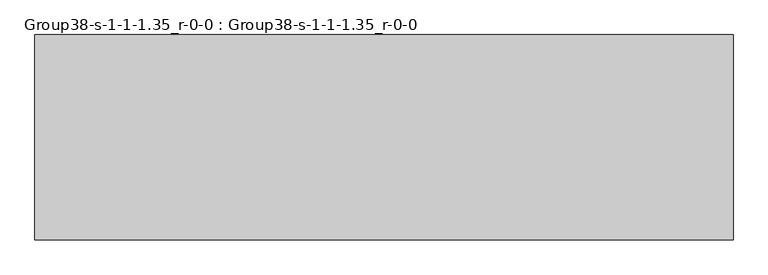
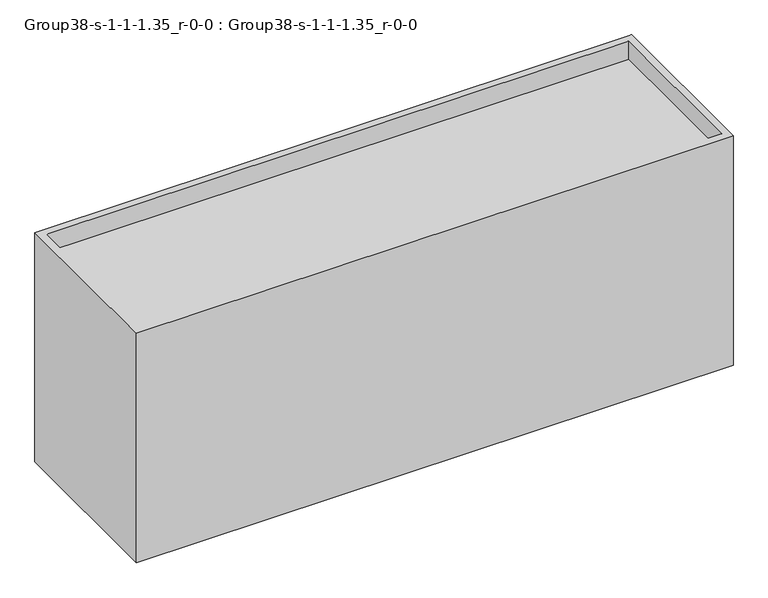
"""IFC4 building model written with IfcOpenShell, lengths in millimetres: geographic element geometry, Group38-s-1-1-1.35_r-0-0 : Group38-s-1-1-1.35_r-0-0."""

from ifc_helpers import new_model, si_unit, origin, place, context, project, spatial, triangles, source, transform, mapped, element, save


def group38_s_1_1_1_35_r_0_0_group38_s_1_1_1_35_r_0_0_8349777e(model_context):
    return source(origin(), model_context, "Body", "Tessellation", [
        triangles([(16976.7253876, 7585.0748062, 0.0), (-8792.4749451, 0.0, 0.0), (-8792.4749451, 7585.0748062, 0.0), (16976.7253876, 0.0, 0.0), (16671.9253876, 7280.2748062, 10472.8549347), (16671.9253876, 304.8, 9649.8952835), (16671.9253876, 304.8, 10472.8549347), (16671.9253876, 7280.2748062, 9649.8952835), (-8487.6749451, 7280.2748062, 9649.8952835), (-8487.6749451, 7280.2748062, 10472.8549347), (-8792.4749451, 0.0, 10472.8549347), (-8487.6749451, 304.8, 10472.8549347), (-8792.4749451, 7585.0748062, 10472.8549347), (16976.7253876, 0.0, 10472.8549347), (16976.7253876, 7585.0748062, 10472.8549347), (-8487.6749451, 304.8, 9649.8952835)], [[1, 2, 3], [2, 1, 4], [5, 6, 7], [6, 5, 8], [5, 9, 8], [9, 5, 10], [11, 12, 13], [12, 11, 14], [12, 14, 7], [7, 14, 5], [13, 10, 15], [10, 13, 12], [15, 10, 5], [15, 5, 14], [11, 3, 2], [3, 11, 13], [9, 12, 16], [12, 9, 10], [1, 14, 4], [14, 1, 15], [13, 1, 3], [1, 13, 15], [4, 11, 2], [11, 4, 14], [12, 6, 16], [6, 12, 7], [6, 9, 16], [9, 6, 8]]),
    ])


if __name__ == "__main__":
    model = new_model("IFC4")
    model_context = context("Model", 3, world=origin())
    ifc_project = project(units=[si_unit("LENGTHUNIT", "METRE", prefix="MILLI")], contexts=[model_context])
    site = spatial("IfcSite", under=ifc_project)
    building = spatial("IfcBuilding", under=site)
    placement = place(None, origin())
    group38_s_1_1_1_35_r_0_0_group38_s_1_1_1_35_r_0_0_shape = group38_s_1_1_1_35_r_0_0_group38_s_1_1_1_35_r_0_0_8349777e(model_context)
    element("IfcGeographicElement", 1, ObjectType="Group38-s-1-1-1.35_r-0-0 : Group38-s-1-1-1.35_r-0-0", at=placement, inside=building, context=model_context, shape_type="MappedRepresentation", body=[
        mapped(group38_s_1_1_1_35_r_0_0_group38_s_1_1_1_35_r_0_0_shape, transform((0.0, 0.0, 0.0), x_axis=(1.0, 0.0, 0.0), y_axis=(0.0, 1.0, 0.0), z_axis=(0.0, 0.0, 1.0))),
    ])
    save(model, "model.ifc")
